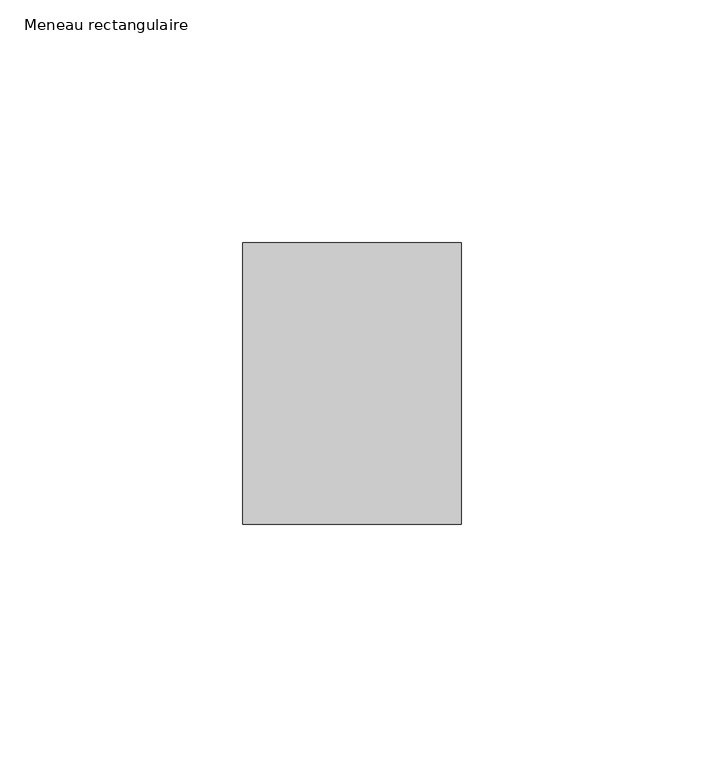
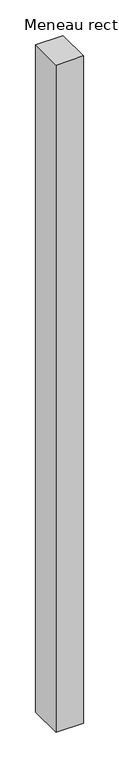
"""IFC4 building model written with IfcOpenShell, lengths in millimetres: member geometry, Meneau rectangulaire."""

from ifc_helpers import new_model, si_unit, frame, origin, place, context, project, spatial, polyline, outline, extrude, source, transform, mapped, element, save


def meneau_rectangulaire_2adc76cf(model_context):
    return source(origin(), model_context, "Body", "SweptSolid", [
        extrude(outline(polyline([(0.0, 29.0), (0.0, -29.0), (-45.0, -29.0), (-45.0, 29.0), (0.0, 29.0)])), frame((0.0, 0.0, -1147.3750002), z_axis=(0.0, 0.0, 1.0), x_axis=(1.0, 0.0, 0.0)), (0.0, 0.0, 1.0), 1147.3750002),
    ])


if __name__ == "__main__":
    model = new_model("IFC4")
    model_context = context("Model", 3, world=origin())
    ifc_project = project(units=[si_unit("LENGTHUNIT", "METRE", prefix="MILLI")], contexts=[model_context])
    site = spatial("IfcSite", under=ifc_project)
    building = spatial("IfcBuilding", under=site)
    placement = place(None, origin())
    meneau_rectangulaire_shape = meneau_rectangulaire_2adc76cf(model_context)
    element("IfcMember", 1, ObjectType="Meneau rectangulaire", at=placement, inside=building, context=model_context, shape_type="MappedRepresentation", body=[
        mapped(meneau_rectangulaire_shape, transform((0.0, 0.0, 0.0), x_axis=(1.0, 0.0, 0.0), y_axis=(0.0, 1.0, 0.0), z_axis=(0.0, 0.0, 1.0))),
    ])
    save(model, "model.ifc")
